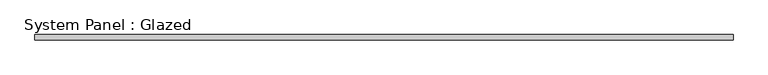
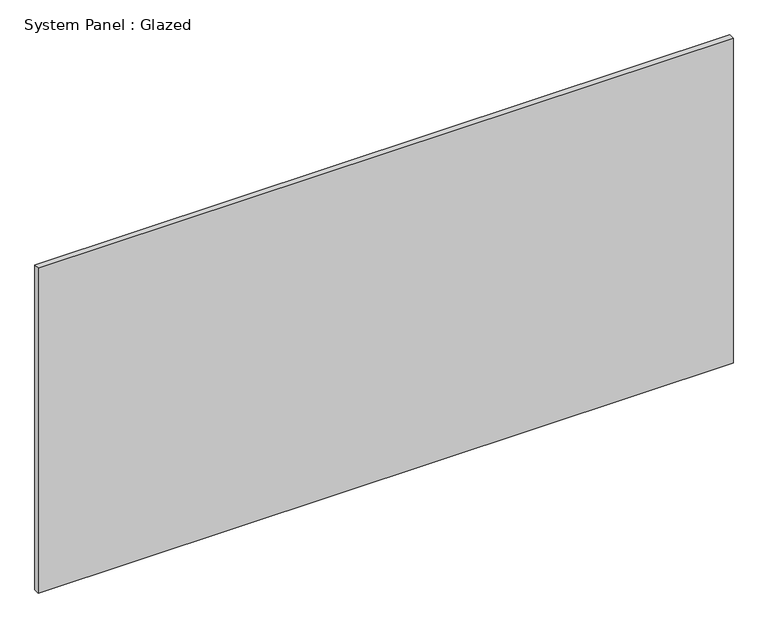
"""IFC4 building model written with IfcOpenShell, lengths in millimetres: plate geometry, System Panel : Glazed."""

from ifc_helpers import new_model, si_unit, origin, origin_with_axes, place, context, project, spatial, polyline, outline, extrude, source, transform, mapped, element, save


def system_panel_glazed_7bf3f3a6(model_context):
    return source(origin(), model_context, "Body", "SweptSolid", [
        extrude(outline(polyline([(1629.412977, 19.05), (-1629.412977, 19.05), (-1629.412977, 44.45), (1629.412977, 44.45), (1629.412977, 19.05)])), origin_with_axes(), (0.0, 0.0, 1.0), 1612.9),
    ])


if __name__ == "__main__":
    model = new_model("IFC4")
    model_context = context("Model", 3, world=origin())
    ifc_project = project(units=[si_unit("LENGTHUNIT", "METRE", prefix="MILLI")], contexts=[model_context])
    site = spatial("IfcSite", under=ifc_project)
    building = spatial("IfcBuilding", under=site)
    placement = place(None, origin())
    system_panel_glazed_shape = system_panel_glazed_7bf3f3a6(model_context)
    element("IfcPlate", 1, ObjectType="System Panel : Glazed", at=placement, inside=building, context=model_context, shape_type="MappedRepresentation", body=[
        mapped(system_panel_glazed_shape, transform((0.0, 0.0, 0.0), x_axis=(1.0, 0.0, 0.0), y_axis=(0.0, 1.0, 0.0), z_axis=(0.0, 0.0, 1.0))),
    ])
    save(model, "model.ifc")
